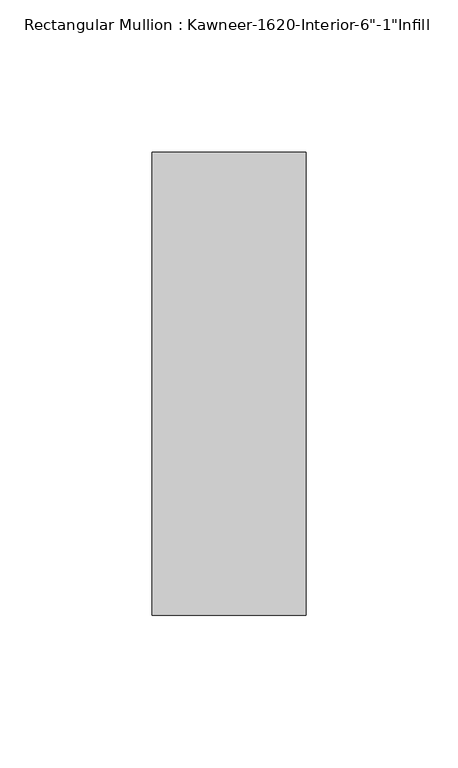
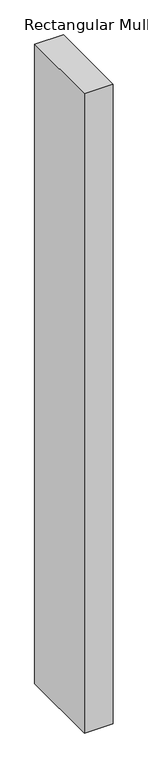
"""IFC4 building model written with IfcOpenShell, lengths in millimetres: member geometry."""

from ifc_helpers import new_model, si_unit, frame, origin, place, context, project, spatial, polyline, outline, extrude, source, transform, mapped, element, save


def member_4d7bdea7(model_context):
    return source(origin(), model_context, "Body", "SweptSolid", [
        extrude(outline(polyline([(25.4, -114.3), (-25.4, -114.3), (-25.4, 38.1), (25.4, 38.1), (25.4, -114.3)])), frame((0.0, 0.0, -1193.8), z_axis=(0.0, 0.0, 1.0), x_axis=(1.0, 0.0, 0.0)), (0.0, 0.0, 1.0), 1193.8),
    ])


if __name__ == "__main__":
    model = new_model("IFC4")
    model_context = context("Model", 3, world=origin())
    ifc_project = project(units=[si_unit("LENGTHUNIT", "METRE", prefix="MILLI")], contexts=[model_context])
    site = spatial("IfcSite", under=ifc_project)
    building = spatial("IfcBuilding", under=site)
    placement = place(None, origin())
    member_shape = member_4d7bdea7(model_context)
    element("IfcMember", 1, ObjectType="Rectangular Mullion : Kawneer-1620-Interior-6\"-1\"Infill", at=placement, inside=building, context=model_context, shape_type="MappedRepresentation", body=[
        mapped(member_shape, transform((0.0, 0.0, 0.0), x_axis=(1.0, 0.0, 0.0), y_axis=(0.0, 1.0, 0.0), z_axis=(0.0, 0.0, 1.0))),
    ])
    save(model, "model.ifc")
